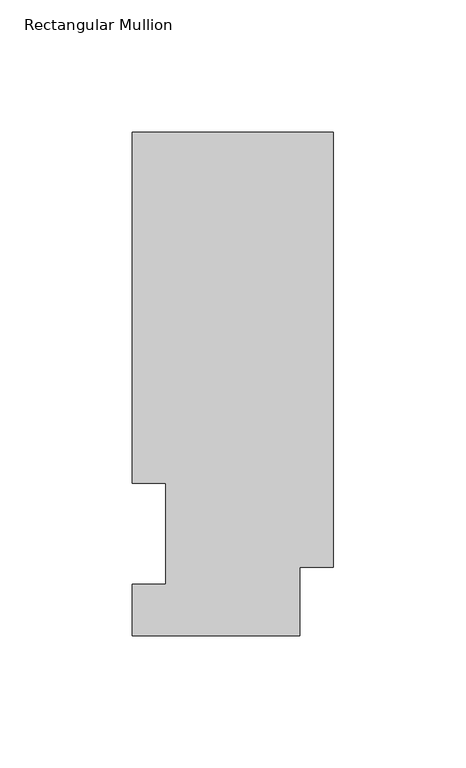
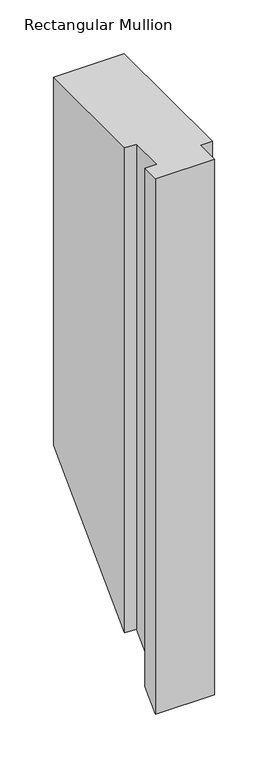
"""IFC4 building model written with IfcOpenShell, lengths in millimetres: member geometry, Rectangular Mullion."""

from ifc_helpers import new_model, si_unit, origin, place, context, project, spatial, faceted_brep, source, transform, mapped, element, save


def rectangular_mullion_272783e0(model_context):
    return source(origin(), model_context, "Body", "Brep", [
        faceted_brep([(0.0, 190.5896937, 0.0), (-76.2, 190.5896937, 0.0), (-76.2, 57.6460937, 0.0), (-63.5127, 57.6460937, 0.0), (-63.5127, 19.5460937, 0.0), (-76.2, 19.5460937, 0.0), (-76.2, 0.0134937, 0.0), (-12.7, 0.0134937, 0.0), (-12.7, 25.8960937, 0.0), (0.0, 25.8960937, 0.0), (0.0, 190.5896937, -418.9785563), (-76.2, 190.5896937, -418.9785563), (-76.2, 57.6460937, -551.9221563), (-63.5127, 57.6460937, -551.9221563), (-63.5127, 19.5460937, -590.0221563), (-76.2, 19.5460937, -590.0221563), (-76.2, 0.0134937, -609.5547563), (-12.7, 0.0134937, -609.5547563), (-12.7, 25.8960937, -583.6721563), (0.0, 25.8960937, -583.6721563)], [[[0, 1, 2, 3, 4, 5, 6, 7, 8, 9]], [[1, 0, 10, 11]], [[2, 1, 11, 12]], [[3, 2, 12, 13]], [[4, 3, 13, 14]], [[5, 4, 14, 15]], [[6, 5, 15, 16]], [[7, 6, 16, 17]], [[8, 7, 17, 18]], [[9, 8, 18, 19]], [[0, 9, 19, 10]], [[10, 19, 18, 17, 16, 15, 14, 13, 12, 11]]]),
    ])


if __name__ == "__main__":
    model = new_model("IFC4")
    model_context = context("Model", 3, world=origin())
    ifc_project = project(units=[si_unit("LENGTHUNIT", "METRE", prefix="MILLI")], contexts=[model_context])
    site = spatial("IfcSite", under=ifc_project)
    building = spatial("IfcBuilding", under=site)
    placement = place(None, origin())
    rectangular_mullion_shape = rectangular_mullion_272783e0(model_context)
    element("IfcMember", 1, ObjectType="Rectangular Mullion", at=placement, inside=building, context=model_context, shape_type="MappedRepresentation", body=[
        mapped(rectangular_mullion_shape, transform((0.0, 0.0, 0.0), x_axis=(1.0, 0.0, 0.0), y_axis=(0.0, 1.0, 0.0), z_axis=(0.0, 0.0, 1.0))),
    ])
    save(model, "model.ifc")
